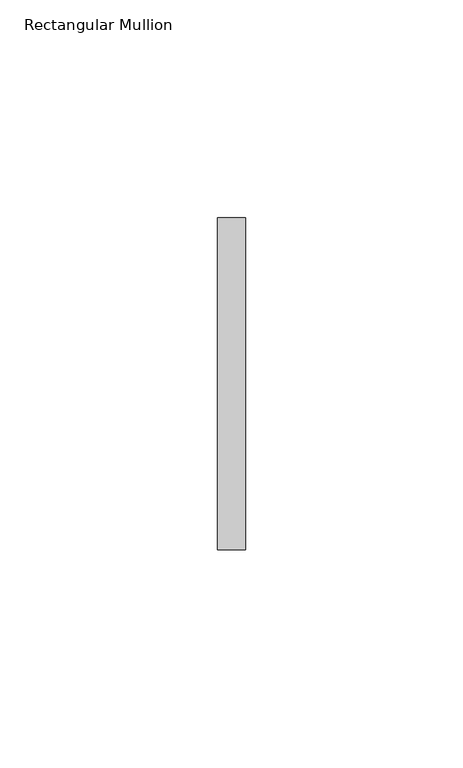
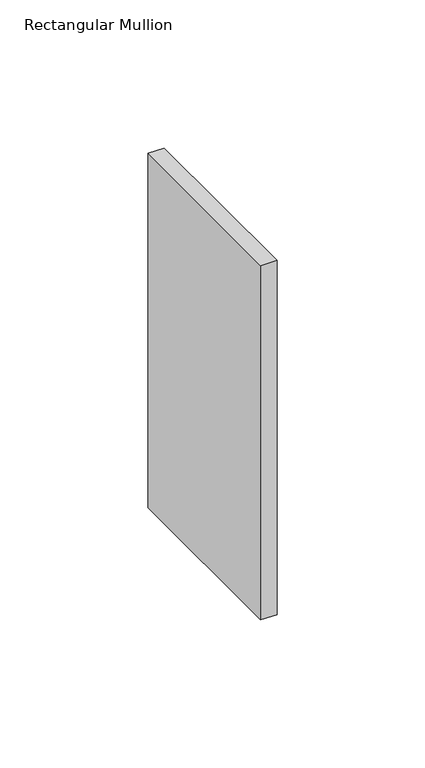
"""IFC4 building model written with IfcOpenShell, lengths in millimetres: member geometry, Rectangular Mullion."""

from ifc_helpers import new_model, si_unit, frame, origin, place, context, project, spatial, polyline, outline, extrude, source, transform, mapped, element, save


def rectangular_mullion_179ff9d1(model_context):
    return source(origin(), model_context, "Body", "SweptSolid", [
        extrude(outline(polyline([(0.0, 38.1), (0.0, -38.1), (-6.35, -38.1), (-6.35, 38.1), (0.0, 38.1)])), frame((0.0, 0.0, -146.05), z_axis=(0.0, 0.0, 1.0), x_axis=(1.0, 0.0, 0.0)), (0.0, 0.0, 1.0), 146.05),
    ])


if __name__ == "__main__":
    model = new_model("IFC4")
    model_context = context("Model", 3, world=origin())
    ifc_project = project(units=[si_unit("LENGTHUNIT", "METRE", prefix="MILLI")], contexts=[model_context])
    site = spatial("IfcSite", under=ifc_project)
    building = spatial("IfcBuilding", under=site)
    placement = place(None, origin())
    rectangular_mullion_shape = rectangular_mullion_179ff9d1(model_context)
    element("IfcMember", 1, ObjectType="Rectangular Mullion", at=placement, inside=building, context=model_context, shape_type="MappedRepresentation", body=[
        mapped(rectangular_mullion_shape, transform((0.0, 0.0, 0.0), x_axis=(1.0, 0.0, 0.0), y_axis=(0.0, 1.0, 0.0), z_axis=(0.0, 0.0, 1.0))),
    ])
    save(model, "model.ifc")
